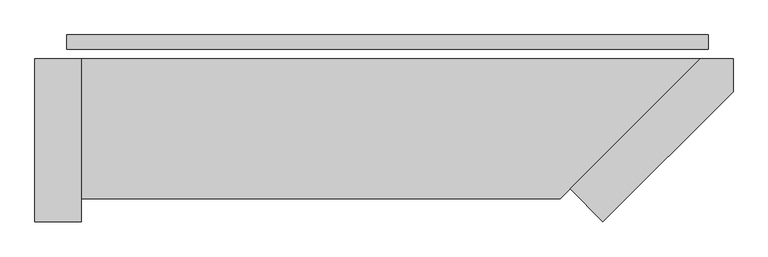
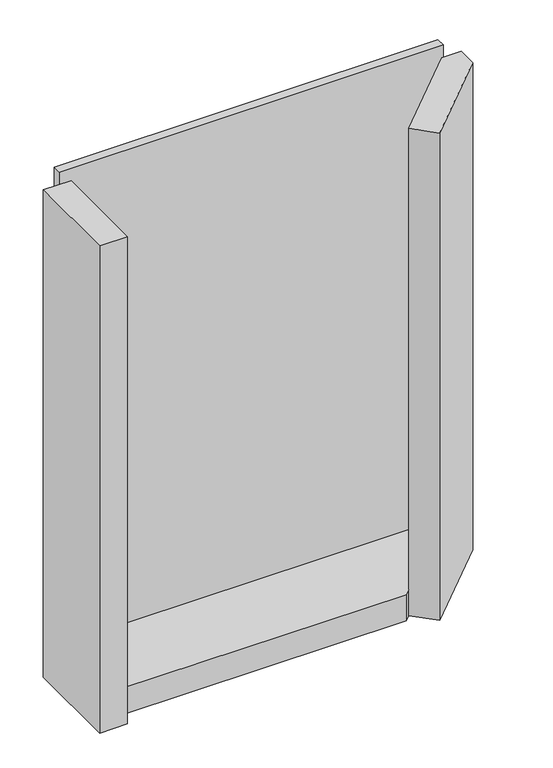
"""IFC4 building model written with IfcOpenShell, lengths in millimetres: plate geometry."""

from ifc_helpers import new_model, si_unit, frame, origin, origin_with_axes, place, context, project, spatial, polyline, outline, extrude, source, transform, mapped, element, save


def plate_c7840cbc(model_context):
    return source(origin(), model_context, "Body", "SweptSolid", [
        extrude(outline(polyline([(550.5, 0.0), (550.5, -25.0), (-550.5, -25.0), (-550.5, 0.0), (550.5, 0.0)])), origin_with_axes(), (0.0, 0.0, 1.0), 1447.534293),
        extrude(outline(polyline([(313.5, -264.4314575), (536.9314575, -41.0), (593.5, -41.0), (593.5, -97.5685425), (370.0685425, -321.0), (313.5, -264.4314575)])), frame((0.0, 0.0, -55.0), z_axis=(0.0, 0.0, 1.0), x_axis=(1.0, 0.0, 0.0)), (0.0, 0.0, 1.0), 1477.534293),
        extrude(outline(polyline([(-525.5, -281.0), (-525.5, -41.0), (536.9314575, -41.0), (296.9314575, -281.0), (-525.5, -281.0)])), frame((0.0, 0.0, -55.0), z_axis=(0.0, 0.0, 1.0), x_axis=(1.0, 0.0, 0.0)), (0.0, 0.0, 1.0), 80.0),
        extrude(outline(polyline([(-605.5, -41.0), (-525.5, -41.0), (-525.5, -321.0), (-605.5, -321.0), (-605.5, -41.0)])), frame((0.0, 0.0, -55.0), z_axis=(0.0, 0.0, 1.0), x_axis=(1.0, 0.0, 0.0)), (0.0, 0.0, 1.0), 1477.534293),
    ])


if __name__ == "__main__":
    model = new_model("IFC4")
    model_context = context("Model", 3, world=origin())
    ifc_project = project(units=[si_unit("LENGTHUNIT", "METRE", prefix="MILLI")], contexts=[model_context])
    site = spatial("IfcSite", under=ifc_project)
    building = spatial("IfcBuilding", under=site)
    placement = place(None, origin())
    plate_shape = plate_c7840cbc(model_context)
    element("IfcPlate", 1, at=placement, inside=building, context=model_context, shape_type="MappedRepresentation", body=[
        mapped(plate_shape, transform((0.0, 0.0, 0.0), x_axis=(1.0, 0.0, 0.0), y_axis=(0.0, 1.0, 0.0), z_axis=(0.0, 0.0, 1.0))),
    ])
    save(model, "model.ifc")
